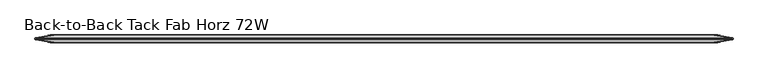
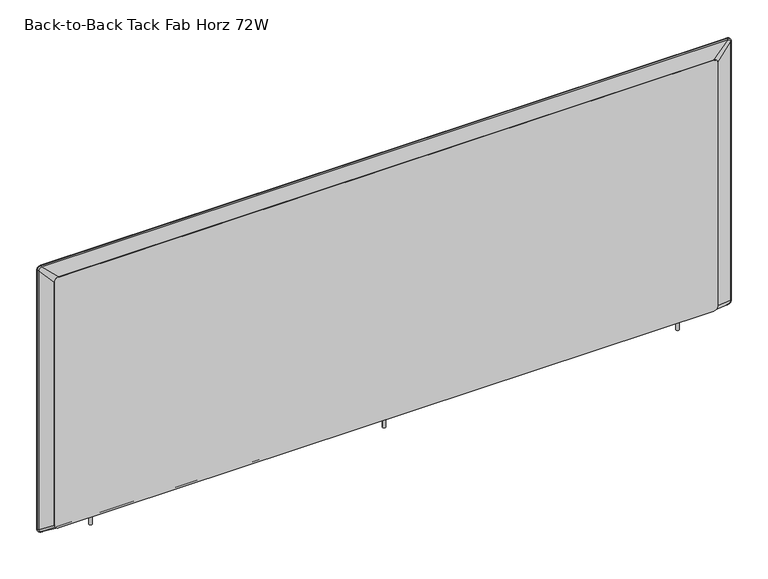
"""IFC4 building model written with IfcOpenShell, lengths in millimetres: furniture geometry, Back-to-Back Tack Fab Horz 72W."""

from ifc_helpers import new_model, si_unit, point, frame, frame_2d, origin, place, context, project, spatial, polyline, circle_curve, ellipse_curve, trimmed, segment, composite_curve, outline, extrude, source, transform, mapped, element, save
from ifc_brep_helpers import plane_surface, cylinder_surface, revolved_surface, spline_surface, advanced_brep


def back_to_back_tack_fab_horz_72w_93732f69(model_context):
    return source(origin(), model_context, "Body", "SolidModel", [
        extrude(outline(composite_curve([segment(trimmed(circle_curve(frame_2d((1630.9467835, 0.0)), 3.9480194), [point((1626.998764, 0.0))], [point((1634.8948029, 0.0))], False, "CARTESIAN"), True, "CONTINUOUS"), segment(trimmed(circle_curve(frame_2d((1630.9467835, 0.0)), 3.9480194), [point((1634.8948029, 0.0))], [point((1626.998764, 0.0))], False, "CARTESIAN"), True, "CONTINUOUS")], self_intersect=False)), frame((0.0, 0.0, 433.506301), z_axis=(0.0, 0.0, 1.0), x_axis=(1.0, 0.0, 0.0)), (0.0, 0.0, 1.0), 26.3144),
        extrude(outline(composite_curve([segment(trimmed(circle_curve(frame_2d((900.1659776, 0.0)), 3.9480194), [point((896.2179581, 0.0))], [point((904.113997, 0.0))], False, "CARTESIAN"), True, "CONTINUOUS"), segment(trimmed(circle_curve(frame_2d((900.1659776, 0.0)), 3.9480194), [point((904.113997, 0.0))], [point((896.2179581, 0.0))], False, "CARTESIAN"), True, "CONTINUOUS")], self_intersect=False)), frame((0.0, 0.0, 433.506301), z_axis=(0.0, 0.0, 1.0), x_axis=(1.0, 0.0, 0.0)), (0.0, 0.0, 1.0), 26.3144),
        extrude(outline(composite_curve([segment(trimmed(circle_curve(frame_2d((169.3851717, 0.0)), 3.9480194), [point((165.4371522, 0.0))], [point((173.3331911, 0.0))], False, "CARTESIAN"), True, "CONTINUOUS"), segment(trimmed(circle_curve(frame_2d((169.3851717, 0.0)), 3.9480194), [point((173.3331911, 0.0))], [point((165.4371522, 0.0))], False, "CARTESIAN"), True, "CONTINUOUS")], self_intersect=False)), frame((0.0, 0.0, 433.506301), z_axis=(0.0, 0.0, 1.0), x_axis=(1.0, 0.0, 0.0)), (0.0, 0.0, 1.0), 26.3144),
        advanced_brep(
        [(1761.8090309, 2.921, 1146.9713365), (1754.2144309, 2.921, 1154.5659365), (1754.2144309, 0.2571112, 1156.4454977), (1763.6885921, 0.2571112, 1146.9713365), (1761.8090309, -2.921, 1146.9713365), (1754.2144309, -2.921, 1154.5659365), (1763.688589, -0.2571103, 1146.9713365), (1754.2144309, -0.2571103, 1156.4454945), (1762.728657, 0.0, 1146.9713365), (1754.2144309, 0.0, 1155.4855626), (1763.6885921, 0.2571112, 465.8627397), (1761.8090309, 2.921, 465.8627397), (1761.8090309, -2.921, 465.8627397), (1763.688589, -0.2571103, 465.8627397), (1762.728657, 0.0, 465.8627397), (1754.2144309, 2.921, 458.2681397), (1754.2144309, 0.2571112, 456.3885785), (1754.2144309, -2.921, 458.2681397), (1754.2144309, -0.2571103, 456.3885817), (1754.2144309, 0.0, 457.3485136), (46.1260508, 0.2571112, 456.3885785), (46.1260508, 2.921, 458.2681397), (46.1260508, -2.921, 458.2681397), (46.1260508, -0.2571103, 456.3885817), (46.1260508, 0.0, 457.3485136), (38.5314508, 2.921, 465.8627397), (36.6518895, 0.2571112, 465.8627397), (38.5314508, -2.921, 465.8627397), (36.6518927, -0.2571103, 465.8627397), (37.6118247, 0.0, 465.8627397), (36.6518895, 0.2571112, 1146.9713365), (38.5314508, 2.921, 1146.9713365), (38.5314508, -2.921, 1146.9713365), (36.6518927, -0.2571103, 1146.9713365), (37.6118247, 0.0, 1146.9713365), (46.1260508, 2.921, 1154.5659365), (46.1260508, 0.2571112, 1156.4454977), (46.1260508, -2.921, 1154.5659365), (46.1260508, -0.2571103, 1156.4454945), (46.1260508, 0.0, 1155.4855626)],
        [
            (0, 1, circle_curve(frame((1754.2144309, 2.921, 1146.9713365), z_axis=(0.0, -1.0, 0.0), x_axis=(0.0, 0.0, 1.0)), 7.5946)),
            (1, 2, circle_curve(frame((1754.2144309, 0.5506493, 1154.0339913), z_axis=(1.0, 0.0, 0.0), x_axis=(0.0, 0.0, 1.0)), 2.4293061)),
            (2, 3, circle_curve(frame((1754.2144309, 0.2571112, 1146.9713365), z_axis=(0.0, 1.0, 0.0), x_axis=(0.0, 0.0, 1.0)), 9.4741612)),
            (3, 0, circle_curve(frame((1761.2770857, 0.5506493, 1146.9713365), z_axis=(0.0, 0.0, 1.0), x_axis=(1.0, 0.0, 0.0)), 2.4293061)),
            (4, 5, circle_curve(frame((1754.2144309, -2.921, 1146.9713365), z_axis=(0.0, -1.0, 0.0), x_axis=(0.0, 0.0, 1.0)), 7.5946)),
            (5, 1),
            (0, 4),
            (6, 7, circle_curve(frame((1754.2144309, -0.2571103, 1146.9713365), z_axis=(0.0, -1.0, 0.0), x_axis=(0.0, 0.0, 1.0)), 9.4741581)),
            (7, 5, circle_curve(frame((1754.2144309, -0.5535248, 1154.0380627), z_axis=(1.0, 0.0, 0.0), x_axis=(0.0, 0.0, 1.0)), 2.4256111)),
            (4, 6, circle_curve(frame((1761.2811572, -0.5535248, 1146.9713365), z_axis=(0.0, 0.0, 1.0), x_axis=(1.0, 0.0, 0.0)), 2.4256111)),
            (8, 9, circle_curve(frame((1754.2144309, 0.0, 1146.9713365), z_axis=(0.0, -1.0, 0.0), x_axis=(0.0, 0.0, 1.0)), 8.5142261)),
            (9, 7),
            (6, 8),
            (2, 9),
            (8, 3),
            (3, 10),
            (10, 11, circle_curve(frame((1761.2770857, 0.5506493, 465.8627397), z_axis=(0.0, 0.0, 1.0), x_axis=(1.0, 0.0, 0.0)), 2.4293061)),
            (11, 0),
            (11, 12),
            (12, 4),
            (12, 13, circle_curve(frame((1761.2811572, -0.5535248, 465.8627397), z_axis=(0.0, 0.0, 1.0), x_axis=(1.0, 0.0, 0.0)), 2.4256111)),
            (13, 6),
            (13, 14),
            (14, 8),
            (14, 10),
            (15, 11, circle_curve(frame((1754.2144309, 2.921, 465.8627397), z_axis=(0.0, -1.0, 0.0), x_axis=(1.0, 0.0, 0.0)), 7.5946)),
            (10, 16, circle_curve(frame((1754.2144309, 0.2571112, 465.8627397), z_axis=(0.0, 1.0, 0.0), x_axis=(1.0, 0.0, 0.0)), 9.4741612)),
            (16, 15, circle_curve(frame((1754.2144309, 0.5506493, 458.8000849), z_axis=(1.0, 0.0, 0.0), x_axis=(0.0, 0.0, -1.0)), 2.4293061)),
            (17, 12, circle_curve(frame((1754.2144309, -2.921, 465.8627397), z_axis=(0.0, -1.0, 0.0), x_axis=(1.0, 0.0, 0.0)), 7.5946)),
            (15, 17),
            (18, 13, circle_curve(frame((1754.2144309, -0.2571103, 465.8627397), z_axis=(0.0, -1.0, 0.0), x_axis=(1.0, 0.0, 0.0)), 9.4741581)),
            (17, 18, circle_curve(frame((1754.2144309, -0.5535248, 458.7960135), z_axis=(1.0, 0.0, 0.0), x_axis=(0.0, 0.0, -1.0)), 2.4256111)),
            (19, 14, circle_curve(frame((1754.2144309, 0.0, 465.8627397), z_axis=(0.0, -1.0, 0.0), x_axis=(1.0, 0.0, 0.0)), 8.5142261)),
            (18, 19),
            (19, 16),
            (16, 20),
            (20, 21, circle_curve(frame((46.1260508, 0.5506493, 458.8000849), z_axis=(1.0, 0.0, 0.0), x_axis=(0.0, 0.0, -1.0)), 2.4293061)),
            (21, 15),
            (21, 22),
            (22, 17),
            (22, 23, circle_curve(frame((46.1260508, -0.5535248, 458.7960135), z_axis=(1.0, 0.0, 0.0), x_axis=(0.0, 0.0, -1.0)), 2.4256111)),
            (23, 18),
            (23, 24),
            (24, 19),
            (24, 20),
            (25, 21, circle_curve(frame((46.1260508, 2.921, 465.8627397), z_axis=(0.0, -1.0, 0.0), x_axis=(0.0, 0.0, -1.0)), 7.5946)),
            (20, 26, circle_curve(frame((46.1260508, 0.2571112, 465.8627397), z_axis=(0.0, 1.0, 0.0), x_axis=(0.0, 0.0, -1.0)), 9.4741612)),
            (26, 25, circle_curve(frame((39.063396, 0.5506493, 465.8627397), z_axis=(0.0, 0.0, -1.0), x_axis=(-1.0, 0.0, 0.0)), 2.4293061)),
            (27, 22, circle_curve(frame((46.1260508, -2.921, 465.8627397), z_axis=(0.0, -1.0, 0.0), x_axis=(0.0, 0.0, -1.0)), 7.5946)),
            (25, 27),
            (28, 23, circle_curve(frame((46.1260508, -0.2571103, 465.8627397), z_axis=(0.0, -1.0, 0.0), x_axis=(0.0, 0.0, -1.0)), 9.4741581)),
            (27, 28, circle_curve(frame((39.0593245, -0.5535248, 465.8627397), z_axis=(0.0, 0.0, -1.0), x_axis=(-1.0, 0.0, 0.0)), 2.4256111)),
            (29, 24, circle_curve(frame((46.1260508, 0.0, 465.8627397), z_axis=(0.0, -1.0, 0.0), x_axis=(0.0, 0.0, -1.0)), 8.5142261)),
            (28, 29),
            (29, 26),
            (26, 30),
            (30, 31, circle_curve(frame((39.063396, 0.5506493, 1146.9713365), z_axis=(0.0, 0.0, -1.0), x_axis=(-1.0, 0.0, 0.0)), 2.4293061)),
            (31, 25),
            (31, 32),
            (32, 27),
            (32, 33, circle_curve(frame((39.0593245, -0.5535248, 1146.9713365), z_axis=(0.0, 0.0, -1.0), x_axis=(-1.0, 0.0, 0.0)), 2.4256111)),
            (33, 28),
            (33, 34),
            (34, 29),
            (34, 30),
            (35, 31, circle_curve(frame((46.1260508, 2.921, 1146.9713365), z_axis=(0.0, -1.0, 0.0), x_axis=(-1.0, 0.0, 0.0)), 7.5946)),
            (30, 36, circle_curve(frame((46.1260508, 0.2571112, 1146.9713365), z_axis=(0.0, 1.0, 0.0), x_axis=(-1.0, 0.0, 0.0)), 9.4741612)),
            (36, 35, circle_curve(frame((46.1260508, 0.5506493, 1154.0339913), z_axis=(-1.0, 0.0, 0.0), x_axis=(0.0, 0.0, 1.0)), 2.4293061)),
            (37, 32, circle_curve(frame((46.1260508, -2.921, 1146.9713365), z_axis=(0.0, -1.0, 0.0), x_axis=(-1.0, 0.0, 0.0)), 7.5946)),
            (35, 37),
            (38, 33, circle_curve(frame((46.1260508, -0.2571103, 1146.9713365), z_axis=(0.0, -1.0, 0.0), x_axis=(-1.0, 0.0, 0.0)), 9.4741581)),
            (37, 38, circle_curve(frame((46.1260508, -0.5535248, 1154.0380627), z_axis=(-1.0, 0.0, 0.0), x_axis=(0.0, 0.0, 1.0)), 2.4256111)),
            (39, 34, circle_curve(frame((46.1260508, 0.0, 1146.9713365), z_axis=(0.0, -1.0, 0.0), x_axis=(-1.0, 0.0, 0.0)), 8.5142261)),
            (38, 39),
            (39, 36),
            (36, 2),
            (1, 35),
            (5, 37),
            (7, 38),
            (9, 39),
        ],
        [
            revolved_surface(trimmed(ellipse_curve(frame((1754.2144309, 0.5506493, 1154.0339913), z_axis=(-1.0, 0.0, 0.0), x_axis=(0.0, 0.0, 1.0)), 2.4293061, 2.4293061), [point((1754.2144309, 0.2571112, 1156.4454977))], [point((1754.2144309, 2.921, 1154.5659365))], True, "CARTESIAN"), (1754.2144309, 0.0, 1146.9713365), (0.0, 1.0, 0.0)),
            revolved_surface(polyline([(1754.2144309, 2.921, 1154.5659365), (1754.2144309, -2.921, 1154.5659365)]), (1754.2144309, 0.0, 1146.9713365), (0.0, 1.0, 0.0)),
            revolved_surface(trimmed(ellipse_curve(frame((1754.2144309, -0.5535248, 1154.0380627), z_axis=(-1.0, 0.0, 0.0), x_axis=(0.0, 0.0, 1.0)), 2.4256111, 2.4256111), [point((1754.2144309, -2.921, 1154.5659365))], [point((1754.2144309, -0.2571103, 1156.4454945))], True, "CARTESIAN"), (1754.2144309, 0.0, 1146.9713365), (0.0, 1.0, 0.0)),
            revolved_surface(polyline([(1754.2144309, -0.2571103, 1156.4454945), (1754.2144309, 0.0, 1155.4855626)]), (1754.2144309, 0.0, 1146.9713365), (0.0, 1.0, 0.0)),
            revolved_surface(polyline([(1754.2144309, 0.0, 1155.4855626), (1754.2144309, 0.2571112, 1156.4454977)]), (1754.2144309, 0.0, 1146.9713365), (0.0, 1.0, 0.0)),
            cylinder_surface(frame((1761.2770857, 0.5506493, 1146.9713365), z_axis=(0.0, 0.0, 1.0), x_axis=(1.0, 0.0, 0.0)), 2.4293061),
            plane_surface(frame((1761.8090309, 2.921, 1146.9713365), z_axis=(-1.0, 0.0, 0.0), x_axis=(0.0, 0.0, -1.0))),
            cylinder_surface(frame((1761.2811572, -0.5535248, 1146.9713365), z_axis=(0.0, 0.0, 1.0), x_axis=(1.0, 0.0, 0.0)), 2.4256111),
            plane_surface(frame((1763.688589, -0.2571103, 1146.9713365), z_axis=(0.25872264988959004, 0.9659516501534167, 0.0), x_axis=(0.0, 0.0, -1.0))),
            plane_surface(frame((1762.728657, 0.0, 1146.9713365), z_axis=(0.2587226498896766, -0.9659516501533936, 0.0), x_axis=(0.0, 0.0, -1.0))),
            revolved_surface(trimmed(ellipse_curve(frame((1761.2770857, 0.5506493, 465.8627397), z_axis=(0.0, 0.0, 1.0), x_axis=(1.0, 0.0, 0.0)), 2.4293061, 2.4293061), [point((1763.6885921, 0.2571112, 465.8627397))], [point((1761.8090309, 2.921, 465.8627397))], True, "CARTESIAN"), (1754.2144309, 0.0, 465.8627397), (0.0, 1.0, 0.0)),
            revolved_surface(polyline([(1761.8090309, 2.921, 465.8627397), (1761.8090309, -2.921, 465.8627397)]), (1754.2144309, 0.0, 465.8627397), (0.0, 1.0, 0.0)),
            revolved_surface(trimmed(ellipse_curve(frame((1761.2811572, -0.5535248, 465.8627397), z_axis=(0.0, 0.0, 1.0), x_axis=(1.0, 0.0, 0.0)), 2.4256111, 2.4256111), [point((1761.8090309, -2.921, 465.8627397))], [point((1763.688589, -0.2571103, 465.8627397))], True, "CARTESIAN"), (1754.2144309, 0.0, 465.8627397), (0.0, 1.0, 0.0)),
            revolved_surface(polyline([(1763.688589, -0.2571103, 465.8627397), (1762.728657, 0.0, 465.8627397)]), (1754.2144309, 0.0, 465.8627397), (0.0, 1.0, 0.0)),
            revolved_surface(polyline([(1762.728657, 0.0, 465.8627397), (1763.6885921, 0.2571112, 465.8627397)]), (1754.2144309, 0.0, 465.8627397), (0.0, 1.0, 0.0)),
            cylinder_surface(frame((1754.2144309, 0.5506493, 458.8000849), z_axis=(1.0, 0.0, 0.0), x_axis=(0.0, 0.0, -1.0)), 2.4293061),
            plane_surface(frame((1754.2144309, 2.921, 458.2681397), z_axis=(0.0, 0.0, 1.0), x_axis=(-1.0, 0.0, 0.0))),
            cylinder_surface(frame((1754.2144309, -0.5535248, 458.7960135), z_axis=(1.0, 0.0, 0.0), x_axis=(0.0, 0.0, -1.0)), 2.4256111),
            plane_surface(frame((1754.2144309, -0.2571103, 456.3885817), z_axis=(0.0, 0.9659516501534294, -0.25872264988954236), x_axis=(-1.0, 0.0, 0.0))),
            plane_surface(frame((1754.2144309, 0.0, 457.3485136), z_axis=(0.0, -0.9659516501533808, -0.25872264988972427), x_axis=(-1.0, 0.0, 0.0))),
            revolved_surface(trimmed(ellipse_curve(frame((46.1260508, 0.5506493, 458.8000849), z_axis=(1.0, 0.0, 0.0), x_axis=(0.0, 0.0, -1.0)), 2.4293061, 2.4293061), [point((46.1260508, 0.2571112, 456.3885785))], [point((46.1260508, 2.921, 458.2681397))], True, "CARTESIAN"), (46.1260508, 0.0, 465.8627397), (0.0, 1.0, 0.0)),
            revolved_surface(polyline([(46.1260508, 2.921, 458.2681397), (46.1260508, -2.921, 458.2681397)]), (46.1260508, 0.0, 465.8627397), (0.0, 1.0, 0.0)),
            revolved_surface(trimmed(ellipse_curve(frame((46.1260508, -0.5535248, 458.7960135), z_axis=(1.0, 0.0, 0.0), x_axis=(0.0, 0.0, -1.0)), 2.4256111, 2.4256111), [point((46.1260508, -2.921, 458.2681397))], [point((46.1260508, -0.2571103, 456.3885817))], True, "CARTESIAN"), (46.1260508, 0.0, 465.8627397), (0.0, 1.0, 0.0)),
            revolved_surface(polyline([(46.1260508, -0.2571103, 456.3885817), (46.1260508, 0.0, 457.3485136)]), (46.1260508, 0.0, 465.8627397), (0.0, 1.0, 0.0)),
            revolved_surface(polyline([(46.1260508, 0.0, 457.3485136), (46.1260508, 0.2571112, 456.3885785)]), (46.1260508, 0.0, 465.8627397), (0.0, 1.0, 0.0)),
            cylinder_surface(frame((39.063396, 0.5506493, 465.8627397), z_axis=(0.0, 0.0, -1.0), x_axis=(-1.0, 0.0, 0.0)), 2.4293061),
            plane_surface(frame((38.5314508, 2.921, 465.8627397), z_axis=(1.0, 0.0, 0.0), x_axis=(0.0, 0.0, 1.0))),
            cylinder_surface(frame((39.0593245, -0.5535248, 465.8627397), z_axis=(0.0, 0.0, -1.0), x_axis=(-1.0, 0.0, 0.0)), 2.4256111),
            plane_surface(frame((36.6518927, -0.2571103, 465.8627397), z_axis=(-0.25872264988959004, 0.9659516501534167, 0.0), x_axis=(0.0, 0.0, 1.0))),
            plane_surface(frame((37.6118247, 0.0, 465.8627397), z_axis=(-0.2587226498896766, -0.9659516501533936, 0.0), x_axis=(0.0, 0.0, 1.0))),
            revolved_surface(trimmed(ellipse_curve(frame((39.063396, 0.5506493, 1146.9713365), z_axis=(0.0, 0.0, -1.0), x_axis=(-1.0, 0.0, 0.0)), 2.4293061, 2.4293061), [point((36.6518895, 0.2571112, 1146.9713365))], [point((38.5314508, 2.921, 1146.9713365))], True, "CARTESIAN"), (46.1260508, 0.0, 1146.9713365), (0.0, 1.0, 0.0)),
            revolved_surface(polyline([(38.5314508, 2.921, 1146.9713365), (38.5314508, -2.921, 1146.9713365)]), (46.1260508, 0.0, 1146.9713365), (0.0, 1.0, 0.0)),
            revolved_surface(trimmed(ellipse_curve(frame((39.0593245, -0.5535248, 1146.9713365), z_axis=(0.0, 0.0, -1.0), x_axis=(-1.0, 0.0, 0.0)), 2.4256111, 2.4256111), [point((38.5314508, -2.921, 1146.9713365))], [point((36.6518927, -0.2571103, 1146.9713365))], True, "CARTESIAN"), (46.1260508, 0.0, 1146.9713365), (0.0, 1.0, 0.0)),
            revolved_surface(polyline([(36.6518927, -0.2571103, 1146.9713365), (37.6118247, 0.0, 1146.9713365)]), (46.1260508, 0.0, 1146.9713365), (0.0, 1.0, 0.0)),
            revolved_surface(polyline([(37.6118247, 0.0, 1146.9713365), (36.6518895, 0.2571112, 1146.9713365)]), (46.1260508, 0.0, 1146.9713365), (0.0, 1.0, 0.0)),
            cylinder_surface(frame((46.1260508, 0.5506493, 1154.0339913), z_axis=(-1.0, 0.0, 0.0), x_axis=(0.0, 0.0, 1.0)), 2.4293061),
            plane_surface(frame((46.1260508, 2.921, 1154.5659365), z_axis=(0.0, 0.0, -1.0), x_axis=(1.0, 0.0, 0.0))),
            cylinder_surface(frame((46.1260508, -0.5535248, 1154.0380627), z_axis=(-1.0, 0.0, 0.0), x_axis=(0.0, 0.0, 1.0)), 2.4256111),
            plane_surface(frame((46.1260508, -0.2571103, 1156.4454945), z_axis=(0.0, 0.9659516501534039, 0.2587226498896377), x_axis=(1.0, 0.0, 0.0))),
            plane_surface(frame((46.1260508, 0.0, 1155.4855626), z_axis=(0.0, -0.9659516501534063, 0.2587226498896289), x_axis=(1.0, 0.0, 0.0))),
        ],
        [
            (0, [[1, 2, 3, 4]]),
            (1, [[5, 6, -1, 7]]),
            (2, [[8, 9, -5, 10]]),
            (3, [[11, 12, -8, 13]]),
            (4, [[-3, 14, -11, 15]]),
            (5, [[-4, 16, 17, 18]]),
            (6, [[-7, -18, 19, 20]]),
            (7, [[-10, -20, 21, 22]]),
            (8, [[-13, -22, 23, 24]]),
            (9, [[-15, -24, 25, -16]]),
            (10, [[26, -17, 27, 28]]),
            (11, [[29, -19, -26, 30]]),
            (12, [[31, -21, -29, 32]]),
            (13, [[33, -23, -31, 34]]),
            (14, [[-27, -25, -33, 35]]),
            (15, [[-28, 36, 37, 38]]),
            (16, [[-30, -38, 39, 40]]),
            (17, [[-32, -40, 41, 42]]),
            (18, [[-34, -42, 43, 44]]),
            (19, [[-35, -44, 45, -36]]),
            (20, [[46, -37, 47, 48]]),
            (21, [[49, -39, -46, 50]]),
            (22, [[51, -41, -49, 52]]),
            (23, [[53, -43, -51, 54]]),
            (24, [[-47, -45, -53, 55]]),
            (25, [[-48, 56, 57, 58]]),
            (26, [[-50, -58, 59, 60]]),
            (27, [[-52, -60, 61, 62]]),
            (28, [[-54, -62, 63, 64]]),
            (29, [[-55, -64, 65, -56]]),
            (30, [[66, -57, 67, 68]]),
            (31, [[69, -59, -66, 70]]),
            (32, [[71, -61, -69, 72]]),
            (33, [[73, -63, -71, 74]]),
            (34, [[-67, -65, -73, 75]]),
            (35, [[-68, 76, -2, 77]]),
            (36, [[-70, -77, -6, 78]]),
            (37, [[-72, -78, -9, 79]]),
            (38, [[-74, -79, -12, 80]]),
            (39, [[-75, -80, -14, -76]]),
        ],
    ),
        advanced_brep(
        [(1754.2144309, 2.921, 1154.5659365), (46.1260508, 2.921, 1154.5659365), (38.5314508, 2.921, 1146.9713365), (38.5314508, 2.921, 465.8627397), (46.1260508, 2.921, 458.2681397), (1754.2144309, 2.921, 458.2681397), (1761.8090309, 2.921, 465.8627397), (1761.8090309, 2.921, 1146.9713365), (1715.3594964, 8.6106, 1118.273457), (1725.4940964, 8.6106, 1108.138857), (1725.4940964, 8.6106, 468.4027397), (1715.3594964, 8.6106, 458.2681397), (84.9809717, 8.6106, 458.2681397), (74.8463717, 8.6106, 468.4027397), (74.8463717, 8.6106, 1108.138857), (84.9809717, 8.6106, 1118.273457)],
        [
            (0, 1),
            (1, 2, circle_curve(frame((46.1260508, 2.921, 1146.9713365), z_axis=(0.0, -1.0, 0.0), x_axis=(1.0, 0.0, 0.0)), 7.5946)),
            (2, 3),
            (3, 4, circle_curve(frame((46.1260508, 2.921, 465.8627397), z_axis=(0.0, -1.0, 0.0), x_axis=(1.0, 0.0, 0.0)), 7.5946)),
            (4, 5),
            (5, 6, circle_curve(frame((1754.2144309, 2.921, 465.8627397), z_axis=(0.0, -1.0, 0.0), x_axis=(1.0, 0.0, 0.0)), 7.5946)),
            (6, 7),
            (7, 0, circle_curve(frame((1754.2144309, 2.921, 1146.9713365), z_axis=(0.0, -1.0, 0.0), x_axis=(1.0, 0.0, 0.0)), 7.5946)),
            (8, 9, circle_curve(frame((1715.3594964, 8.6106, 1108.138857), z_axis=(0.0, 1.0, 0.0), x_axis=(1.0, 0.0, 0.0)), 10.1346)),
            (9, 10),
            (10, 11, circle_curve(frame((1715.3594964, 8.6106, 468.4027397), z_axis=(0.0, 1.0, 0.0), x_axis=(1.0, 0.0, 0.0)), 10.1346)),
            (11, 12),
            (12, 13, circle_curve(frame((84.9809717, 8.6106, 468.4027397), z_axis=(0.0, 1.0, 0.0), x_axis=(1.0, 0.0, 0.0)), 10.1346)),
            (13, 14),
            (14, 15, circle_curve(frame((84.9809717, 8.6106, 1108.138857), z_axis=(0.0, 1.0, 0.0), x_axis=(1.0, 0.0, 0.0)), 10.1346)),
            (15, 8),
            (15, 1),
            (0, 8),
            (14, 2),
            (13, 3),
            (12, 4),
            (11, 5),
            (10, 6),
            (9, 7),
        ],
        [
            plane_surface(frame((900.1702408, 2.921, 806.4170381), z_axis=(0.0, -1.0, 0.0), x_axis=(-1.0, 0.0, 0.0))),
            plane_surface(frame((900.170234, 8.6106, 788.2707983), z_axis=(0.0, 1.0, 0.0), x_axis=(-1.0, 0.0, 0.0))),
            plane_surface(frame((900.170234, 8.6106, 1118.273457), z_axis=(0.0, 0.9879334333171178, 0.15487908617451215), x_axis=(-1.0, 0.0, 0.0))),
            spline_surface(2, 1, [[(84.9809717, 8.6106, 1118.273457), (46.1260508, 2.921, 1154.5659365)], [(74.8463716999999, 8.6106, 1118.273457), (38.5314508000001, 2.921, 1154.5659365)], [(74.8463717, 8.6106, 1108.138857), (38.5314508, 2.921, 1146.9713365)]], [3, 3], [2, 2], [0.0, 1.0], [0.0, 1.0], weights=[[1.0, 1.0], [0.707106781186544, 0.707106781186544], [1.0, 1.0]]),
            plane_surface(frame((74.8463717, 8.6106, 788.2707983), z_axis=(-0.15478566987977196, 0.987948073736606, 0.0), x_axis=(0.0, 0.0, -1.0))),
            spline_surface(2, 1, [[(74.8463717, 8.6106, 468.4027397), (38.5314508, 2.921, 465.8627397)], [(74.84637169999999, 8.6106, 458.2681397), (38.531450799999995, 2.921, 458.2681397)], [(84.9809717, 8.6106, 458.2681397), (46.1260508, 2.921, 458.2681397)]], [3, 3], [2, 2], [0.0, 1.0], [0.0, 1.0], weights=[[1.0, 1.0], [0.707106781186547, 0.707106781186547], [1.0, 1.0]]),
            plane_surface(frame((900.170234, 8.6106, 458.2681397), z_axis=(0.0, 8.017396270685937e-11, -1.0), x_axis=(1.0, 0.0, 0.0))),
            spline_surface(2, 1, [[(1715.3594964, 8.6106, 458.2681397), (1754.2144309, 2.921, 458.2681397)], [(1725.4940963999998, 8.6106, 458.2681397000001), (1761.8090309, 2.921, 458.26813970000006)], [(1725.4940964, 8.6106, 468.4027397), (1761.8090309, 2.921, 465.8627397)]], [3, 3], [2, 2], [0.0, 1.0], [0.0, 1.0], weights=[[1.0, 1.0], [0.7071067811865515, 0.7071067811865515], [1.0, 1.0]]),
            plane_surface(frame((1725.4940964, 8.6106, 788.2707983), z_axis=(0.15478561319455753, 0.9879480826176975, 0.0), x_axis=(0.0, 0.0, 1.0))),
            spline_surface(2, 1, [[(1725.4940964, 8.6106, 1108.138857), (1761.8090309, 2.921, 1146.9713365)], [(1725.4940964, 8.6106, 1118.273457), (1761.8090309, 2.921, 1154.5659365)], [(1715.3594964, 8.6106, 1118.273457), (1754.2144309, 2.921, 1154.5659365)]], [3, 3], [2, 2], [0.0, 1.0], [0.0, 1.0], weights=[[1.0, 1.0], [0.7071067811865476, 0.7071067811865476], [1.0, 1.0]]),
        ],
        [
            (0, [[1, 2, 3, 4, 5, 6, 7, 8]]),
            (1, [[9, 10, 11, 12, 13, 14, 15, 16]]),
            (2, [[-16, 17, -1, 18]]),
            (3, [[-15, 19, -2, -17]]),
            (4, [[-14, 20, -3, -19]]),
            (5, [[-13, 21, -4, -20]]),
            (6, [[-12, 22, -5, -21]]),
            (7, [[-11, 23, -6, -22]]),
            (8, [[-10, 24, -7, -23]]),
            (9, [[-9, -18, -8, -24]]),
        ],
    ),
        advanced_brep(
        [(1754.2144309, -2.921, 1154.5659365), (1761.8090309, -2.921, 1146.9713365), (1761.8090309, -2.921, 465.8627397), (1754.2144309, -2.921, 458.2681397), (46.1260508, -2.921, 458.2681397), (38.5314508, -2.921, 465.8627397), (38.5314508, -2.921, 1146.9713365), (46.1260508, -2.921, 1154.5659365), (1715.3594964, -8.6106, 1118.273457), (84.9809717, -8.6106, 1118.273457), (74.8463717, -8.6106, 1108.138857), (74.8463717, -8.6106, 468.4027397), (84.9809717, -8.6106, 458.2681397), (1715.3594964, -8.6106, 458.2681397), (1725.4940964, -8.6106, 468.4027397), (1725.4940964, -8.6106, 1108.138857)],
        [
            (0, 1, circle_curve(frame((1754.2144309, -2.921, 1146.9713365), z_axis=(0.0, 1.0, 0.0), x_axis=(1.0, 0.0, 0.0)), 7.5946)),
            (1, 2),
            (2, 3, circle_curve(frame((1754.2144309, -2.921, 465.8627397), z_axis=(0.0, 1.0, 0.0), x_axis=(1.0, 0.0, 0.0)), 7.5946)),
            (3, 4),
            (4, 5, circle_curve(frame((46.1260508, -2.921, 465.8627397), z_axis=(0.0, 1.0, 0.0), x_axis=(1.0, 0.0, 0.0)), 7.5946)),
            (5, 6),
            (6, 7, circle_curve(frame((46.1260508, -2.921, 1146.9713365), z_axis=(0.0, 1.0, 0.0), x_axis=(1.0, 0.0, 0.0)), 7.5946)),
            (7, 0),
            (8, 9),
            (9, 10, circle_curve(frame((84.9809717, -8.6106, 1108.138857), z_axis=(0.0, -1.0, 0.0), x_axis=(1.0, 0.0, 0.0)), 10.1346)),
            (10, 11),
            (11, 12, circle_curve(frame((84.9809717, -8.6106, 468.4027397), z_axis=(0.0, -1.0, 0.0), x_axis=(1.0, 0.0, 0.0)), 10.1346)),
            (12, 13),
            (13, 14, circle_curve(frame((1715.3594964, -8.6106, 468.4027397), z_axis=(0.0, -1.0, 0.0), x_axis=(1.0, 0.0, 0.0)), 10.1346)),
            (14, 15),
            (15, 8, circle_curve(frame((1715.3594964, -8.6106, 1108.138857), z_axis=(0.0, -1.0, 0.0), x_axis=(1.0, 0.0, 0.0)), 10.1346)),
            (8, 0),
            (7, 9),
            (6, 10),
            (5, 11),
            (4, 12),
            (3, 13),
            (2, 14),
            (1, 15),
        ],
        [
            plane_surface(frame((900.1702408, -2.921, 806.4170381), z_axis=(0.0, 1.0, 0.0), x_axis=(1.0, 0.0, 0.0))),
            plane_surface(frame((900.170234, -8.6106, 788.2707983), z_axis=(0.0, -1.0, 0.0), x_axis=(1.0, 0.0, 0.0))),
            plane_surface(frame((900.170234, -8.6106, 1118.273457), z_axis=(0.0, -0.987933433318226, 0.1548790861674433), x_axis=(1.0, 0.0, 0.0))),
            spline_surface(2, 1, [[(74.8463717, -8.6106, 1108.138857), (38.5314508, -2.921, 1146.9713365)], [(74.8463717000001, -8.6106, 1118.273457), (38.53145080000007, -2.921, 1154.5659365)], [(84.9809717, -8.6106, 1118.273457), (46.1260508, -2.921, 1154.5659365)]], [3, 3], [2, 2], [0.0, 1.0], [0.0, 1.0], weights=[[1.0, 1.0], [0.707106781186551, 0.707106781186551], [1.0, 1.0]]),
            plane_surface(frame((74.8463717, -8.6106, 788.2707983), z_axis=(-0.1547856698797874, -0.9879480737366035, 0.0), x_axis=(0.0, 0.0, 1.0))),
            spline_surface(2, 1, [[(84.9809717, -8.6106, 458.2681397), (46.1260508, -2.921, 458.2681397)], [(74.84637170000002, -8.6106, 458.2681397), (38.53145079999999, -2.921, 458.2681397)], [(74.8463717, -8.6106, 468.4027397), (38.5314508, -2.921, 465.8627397)]], [3, 3], [2, 2], [0.0, 1.0], [0.0, 1.0], weights=[[1.0, 1.0], [0.7071067811865481, 0.7071067811865481], [1.0, 1.0]]),
            plane_surface(frame((900.170234, -8.6106, 458.2681397), z_axis=(0.0, 2.0745310231567167e-11, -1.0), x_axis=(-1.0, 0.0, 0.0))),
            spline_surface(2, 1, [[(1725.4940964, -8.6106, 468.4027397), (1761.8090309, -2.921, 465.8627397)], [(1725.4940964000002, -8.6106, 458.2681396999999), (1761.8090309, -2.921, 458.2681397000001)], [(1715.3594964, -8.6106, 458.2681397), (1754.2144309, -2.921, 458.2681397)]], [3, 3], [2, 2], [0.0, 1.0], [0.0, 1.0], weights=[[1.0, 1.0], [0.7071067811865436, 0.7071067811865436], [1.0, 1.0]]),
            plane_surface(frame((1725.4940964, -8.6106, 788.2707983), z_axis=(0.15478561319462852, -0.9879480826176864, 0.0), x_axis=(0.0, 0.0, -1.0))),
            spline_surface(2, 1, [[(1715.3594964, -8.6106, 1118.273457), (1754.2144309, -2.921, 1154.5659365)], [(1725.4940964, -8.6106, 1118.273457), (1761.8090309, -2.921, 1154.5659365)], [(1725.4940964, -8.6106, 1108.138857), (1761.8090309, -2.921, 1146.9713365)]], [3, 3], [2, 2], [0.0, 1.0], [0.0, 1.0], weights=[[1.0, 1.0], [0.7071067811865476, 0.7071067811865476], [1.0, 1.0]]),
        ],
        [
            (0, [[1, 2, 3, 4, 5, 6, 7, 8]]),
            (1, [[9, 10, 11, 12, 13, 14, 15, 16]]),
            (2, [[-9, 17, -8, 18]]),
            (3, [[-10, -18, -7, 19]]),
            (4, [[-11, -19, -6, 20]]),
            (5, [[-12, -20, -5, 21]]),
            (6, [[-13, -21, -4, 22]]),
            (7, [[-14, -22, -3, 23]]),
            (8, [[-15, -23, -2, 24]]),
            (9, [[-16, -24, -1, -17]]),
        ],
    ),
        extrude(outline(composite_curve([segment(polyline([(1118.273457, 1715.3594964), (1118.273457, 84.9809717)]), True, "CONTINUOUS"), segment(trimmed(circle_curve(frame_2d((1108.138857, 84.9809717)), 10.1346), [point((1118.273457, 84.9809717))], [point((1108.138857, 74.8463717))], False, "CARTESIAN"), True, "CONTINUOUS"), segment(polyline([(1108.138857, 74.8463717), (468.4027397, 74.8463717)]), True, "CONTINUOUS"), segment(trimmed(circle_curve(frame_2d((468.4027397, 84.9809717)), 10.1346), [point((468.4027397, 74.8463717))], [point((458.2681397, 84.9809717))], False, "CARTESIAN"), True, "CONTINUOUS"), segment(polyline([(458.2681397, 84.9809717), (458.2681397, 1715.3594964)]), True, "CONTINUOUS"), segment(trimmed(circle_curve(frame_2d((468.4027397, 1715.3594964)), 10.1346), [point((458.2681397, 1715.3594964))], [point((468.4027397, 1725.4940964))], False, "CARTESIAN"), True, "CONTINUOUS"), segment(polyline([(468.4027397, 1725.4940964), (1108.138857, 1725.4940964)]), True, "CONTINUOUS"), segment(trimmed(circle_curve(frame_2d((1108.138857, 1715.3594964)), 10.1346), [point((1108.138857, 1725.4940964))], [point((1118.273457, 1715.3594964))], False, "CARTESIAN"), True, "CONTINUOUS")], self_intersect=False)), frame((0.0, -9.525, 0.0), z_axis=(0.0, 1.0, 0.0), x_axis=(0.0, 0.0, 1.0)), (0.0, 0.0, 1.0), 19.05),
    ])


if __name__ == "__main__":
    model = new_model("IFC4")
    model_context = context("Model", 3, world=origin())
    ifc_project = project(units=[si_unit("LENGTHUNIT", "METRE", prefix="MILLI")], contexts=[model_context])
    site = spatial("IfcSite", under=ifc_project)
    building = spatial("IfcBuilding", under=site)
    placement = place(None, origin())
    back_to_back_tack_fab_horz_72w_shape = back_to_back_tack_fab_horz_72w_93732f69(model_context)
    element("IfcFurniture", 1, ObjectType="Back-to-Back Tack Fab Horz 72W", at=placement, inside=building, context=model_context, shape_type="MappedRepresentation", body=[
        mapped(back_to_back_tack_fab_horz_72w_shape, transform((0.0, 0.0, 0.0), x_axis=(1.0, 0.0, 0.0), y_axis=(0.0, 1.0, 0.0), z_axis=(0.0, 0.0, 1.0))),
    ])
    save(model, "model.ifc")
